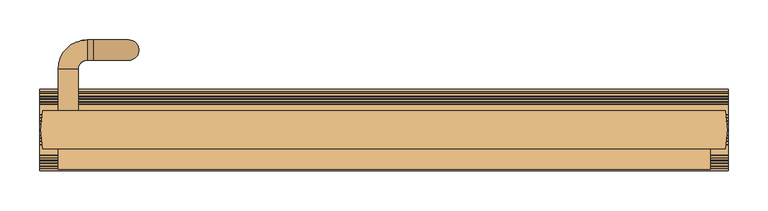
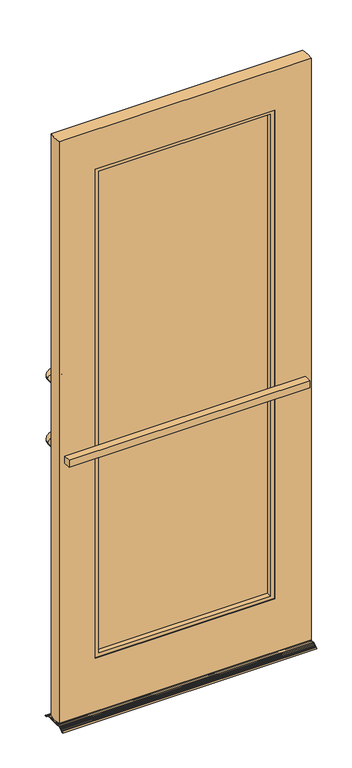
"""IFC4 building model written with IfcOpenShell, lengths in millimetres: door geometry."""

from ifc_helpers import new_model, si_unit, point, frame, frame_2d, origin, place, context, project, spatial, polyline, circle_curve, ellipse_curve, trimmed, segment, composite_curve, outline, extrude, faceted_brep, source, transform, mapped, element, save
from ifc_brep_helpers import plane_surface, cylinder_surface, revolved_surface, advanced_brep


def door_4c58a953(model_context):
    return source(origin(), model_context, "Body", "SolidModel", [
        advanced_brep(
        [(-409.0221661, 23.8125, 1187.45), (-383.6224068, 23.8125, 1187.45), (-409.0221661, 23.8125, 958.85), (-383.6224068, 23.8125, 958.85), (-409.0221661, 76.0772494, 1187.45), (-383.6224068, 76.0772494, 1187.45), (-372.3869155, 87.3127407, 1187.45), (-372.3869155, 112.7125, 1187.45), (-364.5721661, 112.7125, 1187.45), (-364.5721661, 87.3127407, 1187.45), (-320.1221661, 87.3127407, 1143.0), (-320.1221661, 112.7125, 1143.0), (-320.1221661, 112.7125, 1003.3), (-320.1221661, 87.3127407, 1003.3), (-364.5721661, 87.3127407, 958.85), (-364.5721661, 112.7125, 958.85), (-372.3869155, 112.7125, 958.85), (-372.3869155, 87.3127407, 958.85), (-383.6224068, 76.0772494, 958.85), (-409.0221661, 76.0772494, 958.85)],
        [
            (0, 1, circle_curve(frame((-396.3222864, 23.8125, 1187.45), z_axis=(0.0, -1.0, 0.0), x_axis=(-1.0, 0.0, 0.0)), 12.6998797)),
            (1, 0, circle_curve(frame((-396.3222864, 23.8125, 1187.45), z_axis=(0.0, -1.0, 0.0), x_axis=(-1.0, 0.0, 0.0)), 12.6998797)),
            (2, 3, circle_curve(frame((-396.3222864, 23.8125, 958.85), z_axis=(0.0, -1.0, 0.0), x_axis=(-1.0, 0.0, 0.0)), 12.6998797)),
            (3, 2, circle_curve(frame((-396.3222864, 23.8125, 958.85), z_axis=(0.0, -1.0, 0.0), x_axis=(-1.0, 0.0, 0.0)), 12.6998797)),
            (0, 4),
            (4, 5, circle_curve(frame((-396.3222864, 76.0772494, 1187.45), z_axis=(0.0, -1.0, 0.0), x_axis=(-1.0, 0.0, 0.0)), 12.6998797)),
            (5, 1),
            (5, 4, circle_curve(frame((-396.3222864, 76.0772494, 1187.45), z_axis=(0.0, -1.0, 0.0), x_axis=(-1.0, 0.0, 0.0)), 12.6998797)),
            (6, 5, circle_curve(frame((-372.3869155, 76.0772494, 1187.45), z_axis=(0.0, 0.0, 1.0), x_axis=(-1.0, 0.0, 0.0)), 11.2354913)),
            (4, 7, circle_curve(frame((-372.3869155, 76.0772494, 1187.45), z_axis=(0.0, 0.0, -1.0), x_axis=(-1.0, 0.0, 0.0)), 36.6352506)),
            (7, 6, circle_curve(frame((-372.3869155, 100.0126203, 1187.45), z_axis=(-1.0, 0.0, 0.0), x_axis=(0.0, 1.0, 0.0)), 12.6998797)),
            (6, 7, circle_curve(frame((-372.3869155, 100.0126203, 1187.45), z_axis=(-1.0, 0.0, 0.0), x_axis=(0.0, 1.0, 0.0)), 12.6998797)),
            (7, 8),
            (8, 9, circle_curve(frame((-364.5721661, 100.0126203, 1187.45), z_axis=(-1.0, 0.0, 0.0), x_axis=(0.0, 1.0, 0.0)), 12.6998797)),
            (9, 6),
            (9, 8, circle_curve(frame((-364.5721661, 100.0126203, 1187.45), z_axis=(-1.0, 0.0, 0.0), x_axis=(0.0, 1.0, 0.0)), 12.6998797)),
            (10, 9, circle_curve(frame((-364.5721661, 87.3127407, 1143.0), z_axis=(0.0, -1.0, 0.0), x_axis=(0.0, 0.0, 1.0)), 44.45)),
            (8, 11, circle_curve(frame((-364.5721661, 112.7125, 1143.0), z_axis=(0.0, 1.0, 0.0), x_axis=(0.0, 0.0, 1.0)), 44.45)),
            (11, 10, circle_curve(frame((-320.1221661, 100.0126203, 1143.0), z_axis=(0.0, 0.0, 1.0), x_axis=(0.0, 1.0, 0.0)), 12.6998797)),
            (10, 11, circle_curve(frame((-320.1221661, 100.0126203, 1143.0), z_axis=(0.0, 0.0, 1.0), x_axis=(0.0, 1.0, 0.0)), 12.6998797)),
            (11, 12),
            (12, 13, circle_curve(frame((-320.1221661, 100.0126203, 1003.3), z_axis=(0.0, 0.0, 1.0), x_axis=(0.0, 1.0, 0.0)), 12.6998797)),
            (13, 10),
            (13, 12, circle_curve(frame((-320.1221661, 100.0126203, 1003.3), z_axis=(0.0, 0.0, 1.0), x_axis=(0.0, 1.0, 0.0)), 12.6998797)),
            (14, 13, circle_curve(frame((-364.5721661, 87.3127407, 1003.3), z_axis=(0.0, -1.0, 0.0), x_axis=(1.0, 0.0, 0.0)), 44.45)),
            (12, 15, circle_curve(frame((-364.5721661, 112.7125, 1003.3), z_axis=(0.0, 1.0, 0.0), x_axis=(1.0, 0.0, 0.0)), 44.45)),
            (15, 14, circle_curve(frame((-364.5721661, 100.0126203, 958.85), z_axis=(1.0, 0.0, 0.0), x_axis=(0.0, 1.0, 0.0)), 12.6998797)),
            (14, 15, circle_curve(frame((-364.5721661, 100.0126203, 958.85), z_axis=(1.0, 0.0, 0.0), x_axis=(0.0, 1.0, 0.0)), 12.6998797)),
            (15, 16),
            (16, 17, circle_curve(frame((-372.3869155, 100.0126203, 958.85), z_axis=(1.0, 0.0, 0.0), x_axis=(0.0, 1.0, 0.0)), 12.6998797)),
            (17, 14),
            (17, 16, circle_curve(frame((-372.3869155, 100.0126203, 958.85), z_axis=(1.0, 0.0, 0.0), x_axis=(0.0, 1.0, 0.0)), 12.6998797)),
            (18, 17, circle_curve(frame((-372.3869155, 76.0772494, 958.85), z_axis=(0.0, 0.0, -1.0), x_axis=(0.0, 1.0, 0.0)), 11.2354913)),
            (16, 19, circle_curve(frame((-372.3869155, 76.0772494, 958.85), z_axis=(0.0, 0.0, 1.0), x_axis=(0.0, 1.0, 0.0)), 36.6352506)),
            (19, 18, circle_curve(frame((-396.3222864, 76.0772494, 958.85), z_axis=(0.0, 1.0, 0.0), x_axis=(-1.0, 0.0, 0.0)), 12.6998797)),
            (18, 19, circle_curve(frame((-396.3222864, 76.0772494, 958.85), z_axis=(0.0, 1.0, 0.0), x_axis=(-1.0, 0.0, 0.0)), 12.6998797)),
            (19, 2),
            (3, 18),
        ],
        [
            plane_surface(frame((-409.0221661, 23.8125, 1187.45), z_axis=(0.0, -1.0, 0.0), x_axis=(0.0, 0.0, 1.0))),
            plane_surface(frame((-409.0221661, 23.8125, 958.85), z_axis=(0.0, -1.0, 0.0), x_axis=(0.0, 0.0, -1.0))),
            cylinder_surface(frame((-396.3222864, 23.8125, 1187.45), z_axis=(0.0, -1.0, 0.0), x_axis=(-1.0, 0.0, 0.0)), 12.6998797),
            revolved_surface(trimmed(ellipse_curve(frame((-396.3222864, 76.0772494, 1187.45), z_axis=(0.0, -1.0, 0.0), x_axis=(-1.0, 0.0, 0.0)), 12.6998797, 12.6998797), [point((-409.0221661, 76.0772494, 1187.45))], [point((-383.6224068, 76.0772494, 1187.45))], True, "CARTESIAN"), (-372.3869155, 76.0772494, 1187.45), (0.0, 0.0, -1.0)),
            revolved_surface(trimmed(ellipse_curve(frame((-396.3222864, 76.0772494, 1187.45), z_axis=(0.0, -1.0, 0.0), x_axis=(-1.0, 0.0, 0.0)), 12.6998797, 12.6998797), [point((-383.6224068, 76.0772494, 1187.45))], [point((-409.0221661, 76.0772494, 1187.45))], True, "CARTESIAN"), (-372.3869155, 76.0772494, 1187.45), (0.0, 0.0, -1.0)),
            cylinder_surface(frame((-372.3869155, 100.0126203, 1187.45), z_axis=(-1.0, 0.0, 0.0), x_axis=(0.0, 1.0, 0.0)), 12.6998797),
            revolved_surface(trimmed(ellipse_curve(frame((-364.5721661, 100.0126203, 1187.45), z_axis=(-1.0, 0.0, 0.0), x_axis=(0.0, 1.0, 0.0)), 12.6998797, 12.6998797), [point((-364.5721661, 112.7125, 1187.45))], [point((-364.5721661, 87.3127407, 1187.45))], True, "CARTESIAN"), (-364.5721661, 100.0125, 1143.0), (0.0, 1.0, 0.0)),
            revolved_surface(trimmed(ellipse_curve(frame((-364.5721661, 100.0126203, 1187.45), z_axis=(-1.0, 0.0, 0.0), x_axis=(0.0, 1.0, 0.0)), 12.6998797, 12.6998797), [point((-364.5721661, 87.3127407, 1187.45))], [point((-364.5721661, 112.7125, 1187.45))], True, "CARTESIAN"), (-364.5721661, 100.0125, 1143.0), (0.0, 1.0, 0.0)),
            cylinder_surface(frame((-320.1221661, 100.0126203, 1143.0), z_axis=(0.0, 0.0, 1.0), x_axis=(0.0, 1.0, 0.0)), 12.6998797),
            revolved_surface(trimmed(ellipse_curve(frame((-320.1221661, 100.0126203, 1003.3), z_axis=(0.0, 0.0, 1.0), x_axis=(0.0, 1.0, 0.0)), 12.6998797, 12.6998797), [point((-320.1221661, 112.7125, 1003.3))], [point((-320.1221661, 87.3127407, 1003.3))], True, "CARTESIAN"), (-364.5721661, 100.0125, 1003.3), (0.0, 1.0, 0.0)),
            revolved_surface(trimmed(ellipse_curve(frame((-320.1221661, 100.0126203, 1003.3), z_axis=(0.0, 0.0, 1.0), x_axis=(0.0, 1.0, 0.0)), 12.6998797, 12.6998797), [point((-320.1221661, 87.3127407, 1003.3))], [point((-320.1221661, 112.7125, 1003.3))], True, "CARTESIAN"), (-364.5721661, 100.0125, 1003.3), (0.0, 1.0, 0.0)),
            cylinder_surface(frame((-364.5721661, 100.0126203, 958.85), z_axis=(1.0, 0.0, 0.0), x_axis=(0.0, 1.0, 0.0)), 12.6998797),
            revolved_surface(trimmed(ellipse_curve(frame((-372.3869155, 100.0126203, 958.85), z_axis=(1.0, 0.0, 0.0), x_axis=(0.0, 1.0, 0.0)), 12.6998797, 12.6998797), [point((-372.3869155, 112.7125, 958.85))], [point((-372.3869155, 87.3127407, 958.85))], True, "CARTESIAN"), (-372.3869155, 76.0772494, 958.85), (0.0, 0.0, 1.0)),
            revolved_surface(trimmed(ellipse_curve(frame((-372.3869155, 100.0126203, 958.85), z_axis=(1.0, 0.0, 0.0), x_axis=(0.0, 1.0, 0.0)), 12.6998797, 12.6998797), [point((-372.3869155, 87.3127407, 958.85))], [point((-372.3869155, 112.7125, 958.85))], True, "CARTESIAN"), (-372.3869155, 76.0772494, 958.85), (0.0, 0.0, 1.0)),
            cylinder_surface(frame((-396.3222864, 76.0772494, 958.85), z_axis=(0.0, 1.0, 0.0), x_axis=(-1.0, 0.0, 0.0)), 12.6998797),
        ],
        [
            (0, [[1, 2]]),
            (1, [[3, 4]]),
            (2, [[-1, 5, 6, 7]]),
            (2, [[-2, -7, 8, -5]]),
            (3, [[9, -6, 10, 11]]),
            (4, [[-10, -8, -9, 12]]),
            (5, [[-11, 13, 14, 15]]),
            (5, [[-12, -15, 16, -13]]),
            (6, [[17, -14, 18, 19]]),
            (7, [[-18, -16, -17, 20]]),
            (8, [[-19, 21, 22, 23]]),
            (8, [[-20, -23, 24, -21]]),
            (9, [[25, -22, 26, 27]]),
            (10, [[-26, -24, -25, 28]]),
            (11, [[-27, 29, 30, 31]]),
            (11, [[-28, -31, 32, -29]]),
            (12, [[33, -30, 34, 35]]),
            (13, [[-34, -32, -33, 36]]),
            (14, [[-35, 37, -4, 38]]),
            (14, [[-36, -38, -3, -37]]),
        ],
    ),
        extrude(outline(composite_curve([segment(polyline([(-47.9184846, 4.9831108), (-46.266325, 5.7836002)]), True, "CONTINUOUS"), segment(trimmed(circle_curve(frame_2d((-45.6375674, 6.257586)), 0.7874), [point((-46.266325, 5.7836002))], [point((-45.2942393, 5.5489785))], True, "CARTESIAN"), True, "CONTINUOUS"), segment(polyline([(-45.2942393, 5.5489785), (-42.4101525, 6.9463502)]), True, "CONTINUOUS"), segment(trimmed(circle_curve(frame_2d((-42.7534806, 7.6549576)), 0.7874), [point((-42.4101525, 6.9463502))], [point((-41.9918218, 7.8546438))], True, "CARTESIAN"), True, "CONTINUOUS"), segment(polyline([(-41.9918218, 7.8546438), (-39.1345335, 9.2390313)]), True, "CONTINUOUS"), segment(trimmed(circle_curve(frame_2d((-38.5057758, 9.7130171)), 0.7874), [point((-39.1345335, 9.2390313))], [point((-38.1624477, 9.0044097))], True, "CARTESIAN"), True, "CONTINUOUS"), segment(polyline([(-38.1624477, 9.0044097), (-35.278361, 10.4017813)]), True, "CONTINUOUS"), segment(trimmed(circle_curve(frame_2d((-35.6216891, 11.1103888)), 0.7874), [point((-35.278361, 10.4017813))], [point((-34.8600302, 11.310075))], True, "CARTESIAN"), True, "CONTINUOUS"), segment(polyline([(-34.8600302, 11.310075), (-32.484427, 12.4610808)]), True, "CONTINUOUS"), segment(trimmed(circle_curve(frame_2d((-31.4433676, 10.3124)), 2.3876), [point((-32.484427, 12.4610808))], [point((-31.4433676, 12.7))], False, "CARTESIAN"), True, "CONTINUOUS"), segment(polyline([(-31.4433676, 12.7), (-19.05, 12.7)]), True, "CONTINUOUS"), segment(trimmed(circle_curve(frame_2d((-18.2774892, 12.8524)), 0.7874), [point((-19.05, 12.7))], [point((-18.2774892, 12.065))], True, "CARTESIAN"), True, "CONTINUOUS"), segment(polyline([(-18.2774892, 12.065), (-15.0727108, 12.065)]), True, "CONTINUOUS"), segment(trimmed(circle_curve(frame_2d((-15.0727108, 12.8524)), 0.7874), [point((-15.0727108, 12.065))], [point((-14.3002, 12.7))], True, "CARTESIAN"), True, "CONTINUOUS"), segment(polyline([(-14.3002, 12.7), (-11.1252, 12.7)]), True, "CONTINUOUS"), segment(trimmed(circle_curve(frame_2d((-10.3526892, 12.8524)), 0.7874), [point((-11.1252, 12.7))], [point((-10.3526892, 12.065))], True, "CARTESIAN"), True, "CONTINUOUS"), segment(polyline([(-10.3526892, 12.065), (-7.1479108, 12.065)]), True, "CONTINUOUS"), segment(trimmed(circle_curve(frame_2d((-7.1479108, 12.8524)), 0.7874), [point((-7.1479108, 12.065))], [point((-6.3754, 12.7))], True, "CARTESIAN"), True, "CONTINUOUS"), segment(polyline([(-6.3754, 12.7), (6.6167128, 12.7)]), True, "CONTINUOUS"), segment(trimmed(circle_curve(frame_2d((7.3892236, 12.8524)), 0.7874), [point((6.6167128, 12.7))], [point((7.3892236, 12.065))], True, "CARTESIAN"), True, "CONTINUOUS"), segment(polyline([(7.3892236, 12.065), (10.5940019, 12.065)]), True, "CONTINUOUS"), segment(trimmed(circle_curve(frame_2d((10.5940019, 12.8524)), 0.7874), [point((10.5940019, 12.065))], [point((11.3665128, 12.7))], True, "CARTESIAN"), True, "CONTINUOUS"), segment(polyline([(11.3665128, 12.7), (14.5415128, 12.7)]), True, "CONTINUOUS"), segment(trimmed(circle_curve(frame_2d((15.3140236, 12.8524)), 0.7874), [point((14.5415128, 12.7))], [point((15.3140236, 12.065))], True, "CARTESIAN"), True, "CONTINUOUS"), segment(polyline([(15.3140236, 12.065), (18.5188019, 12.065)]), True, "CONTINUOUS"), segment(trimmed(circle_curve(frame_2d((18.5188019, 12.8524)), 0.7874), [point((18.5188019, 12.065))], [point((19.2913128, 12.7))], True, "CARTESIAN"), True, "CONTINUOUS"), segment(polyline([(19.2913128, 12.7), (31.4433676, 12.7)]), True, "CONTINUOUS"), segment(trimmed(circle_curve(frame_2d((31.4433676, 10.3124)), 2.3876), [point((31.4433676, 12.7))], [point((32.484427, 12.4610808))], False, "CARTESIAN"), True, "CONTINUOUS"), segment(polyline([(32.484427, 12.4610808), (34.8600302, 11.310075)]), True, "CONTINUOUS"), segment(trimmed(circle_curve(frame_2d((35.6216891, 11.1103888)), 0.7874), [point((34.8600302, 11.310075))], [point((35.278361, 10.4017813))], True, "CARTESIAN"), True, "CONTINUOUS"), segment(polyline([(35.278361, 10.4017813), (38.1624477, 9.0044097)]), True, "CONTINUOUS"), segment(trimmed(circle_curve(frame_2d((38.5057758, 9.7130171)), 0.7874), [point((38.1624477, 9.0044097))], [point((39.1345335, 9.2390313))], True, "CARTESIAN"), True, "CONTINUOUS"), segment(polyline([(39.1345335, 9.2390313), (41.9918218, 7.8546438)]), True, "CONTINUOUS"), segment(trimmed(circle_curve(frame_2d((42.7534806, 7.6549576)), 0.7874), [point((41.9918218, 7.8546438))], [point((42.4101525, 6.9463502))], True, "CARTESIAN"), True, "CONTINUOUS"), segment(polyline([(42.4101525, 6.9463502), (45.2942393, 5.5489785)]), True, "CONTINUOUS"), segment(trimmed(circle_curve(frame_2d((45.6375674, 6.257586)), 0.7874), [point((45.2942393, 5.5489785))], [point((46.266325, 5.7836002))], True, "CARTESIAN"), True, "CONTINUOUS"), segment(polyline([(46.266325, 5.7836002), (47.9184846, 4.9831108)]), True, "CONTINUOUS"), segment(trimmed(circle_curve(frame_2d((45.5041128, 0.0)), 5.5372), [point((47.9184846, 4.9831108))], [point((51.0413128, 0.0))], False, "CARTESIAN"), True, "CONTINUOUS"), segment(polyline([(51.0413128, 0.0), (45.3263128, 0.0), (45.3263128, 1.6530711)]), True, "CONTINUOUS"), segment(trimmed(circle_curve(frame_2d((44.5389128, 1.6530711)), 0.7874), [point((45.3263128, 1.6530711))], [point((44.8822409, 2.3616786))], True, "CARTESIAN"), True, "CONTINUOUS"), segment(polyline([(44.8822409, 2.3616786), (29.8354783, 9.652), (20.8639236, 9.652)]), True, "CONTINUOUS"), segment(trimmed(circle_curve(frame_2d((20.0914128, 9.8044)), 0.7874), [point((20.8639236, 9.652))], [point((20.0914128, 9.017))], False, "CARTESIAN"), True, "CONTINUOUS"), segment(polyline([(20.0914128, 9.017), (-19.8501, 9.017)]), True, "CONTINUOUS"), segment(trimmed(circle_curve(frame_2d((-19.8501, 9.8044)), 0.7874), [point((-19.8501, 9.017))], [point((-20.6226108, 9.652))], False, "CARTESIAN"), True, "CONTINUOUS"), segment(polyline([(-20.6226108, 9.652), (-29.8354783, 9.652), (-44.8822409, 2.3616786)]), True, "CONTINUOUS"), segment(trimmed(circle_curve(frame_2d((-44.5389128, 1.6530711)), 0.7874), [point((-44.8822409, 2.3616786))], [point((-45.3263128, 1.6530711))], True, "CARTESIAN"), True, "CONTINUOUS"), segment(polyline([(-45.3263128, 1.6530711), (-45.3263128, 0.0), (-51.0413128, 0.0)]), True, "CONTINUOUS"), segment(trimmed(circle_curve(frame_2d((-45.5041128, 0.0)), 5.5372), [point((-51.0413128, 0.0))], [point((-47.9184846, 4.9831108))], False, "CARTESIAN"), True, "CONTINUOUS")], self_intersect=False)), frame((-431.8, 0.0, 0.0), z_axis=(1.0, 0.0, 0.0), x_axis=(0.0, 1.0, 0.0)), (0.0, 0.0, 1.0), 863.6),
        extrude(outline(polyline([(-409.0221661, -49.2125), (-409.0221661, -23.8125), (409.22575, -23.8125), (409.22575, -49.2125), (-409.0221661, -49.2125)])), frame((0.0, 0.0, 946.15), z_axis=(0.0, 0.0, 1.0), x_axis=(1.0, 0.0, 0.0)), (0.0, 0.0, 1.0), 25.4),
        faceted_brep([(304.8, -19.3769229, 1965.325), (304.8, -20.7739246, 1965.325), (304.8, -20.7739246, 207.9625), (304.8, -19.3769229, 207.9625), (299.4421875, -3.175, 1959.9671875), (299.4421875, -19.3769229, 1959.9671875), (299.4421875, -19.3769229, 213.3203125), (299.4421875, -3.175, 213.3203125), (292.1, -20.7739246, 1952.625), (292.1, -3.175, 1952.625), (292.1, -3.175, 220.6625), (292.1, -20.7739246, 220.6625), (-304.8, -20.7739246, 207.9625), (-304.8, -19.3769229, 207.9625), (-299.4421875, -19.3769229, 213.3203125), (-299.4421875, -3.175, 213.3203125), (-292.1, -3.175, 220.6625), (-292.1, -20.7739246, 220.6625), (-304.8, -20.7739246, 1965.325), (-304.8, -19.3769229, 1965.325), (-299.4421875, -19.3769229, 1959.9671875), (-299.4421875, -3.175, 1959.9671875), (-292.1, -3.175, 1952.625), (-292.1, -20.7739246, 1952.625)], [[[0, 1, 2, 3]], [[4, 5, 6, 7]], [[8, 9, 10, 11]], [[3, 2, 12, 13]], [[7, 6, 14, 15]], [[11, 10, 16, 17]], [[13, 12, 18, 19]], [[15, 14, 20, 21]], [[17, 16, 22, 23]], [[19, 18, 1, 0]], [[3, 13, 19, 0], [5, 20, 14, 6]], [[21, 20, 5, 4]], [[7, 15, 21, 4], [9, 22, 16, 10]], [[23, 22, 9, 8]], [[1, 18, 12, 2], [11, 17, 23, 8]]]),
        faceted_brep([(292.1, 3.175, 1952.625), (292.1, 20.7739246, 1952.625), (292.1, 20.7739246, 220.6625), (292.1, 3.175, 220.6625), (299.4421875, 19.3769229, 1959.9671875), (299.4421875, 3.175, 1959.9671875), (299.4421875, 3.175, 213.3203125), (299.4421875, 19.3769229, 213.3203125), (304.8, 20.7739246, 1965.325), (304.8, 19.3769229, 1965.325), (304.8, 19.3769229, 207.9625), (304.8, 20.7739246, 207.9625), (-292.1, 20.7739246, 220.6625), (-292.1, 3.175, 220.6625), (-299.4421875, 3.175, 213.3203125), (-299.4421875, 19.3769229, 213.3203125), (-304.8, 19.3769229, 207.9625), (-304.8, 20.7739246, 207.9625), (-292.1, 20.7739246, 1952.625), (-292.1, 3.175, 1952.625), (-299.4421875, 3.175, 1959.9671875), (-299.4421875, 19.3769229, 1959.9671875), (-304.8, 19.3769229, 1965.325), (-304.8, 20.7739246, 1965.325)], [[[0, 1, 2, 3]], [[4, 5, 6, 7]], [[8, 9, 10, 11]], [[3, 2, 12, 13]], [[7, 6, 14, 15]], [[11, 10, 16, 17]], [[13, 12, 18, 19]], [[15, 14, 20, 21]], [[17, 16, 22, 23]], [[11, 17, 23, 8], [1, 18, 12, 2]], [[19, 18, 1, 0]], [[5, 20, 14, 6], [3, 13, 19, 0]], [[21, 20, 5, 4]], [[9, 22, 16, 10], [7, 15, 21, 4]], [[23, 22, 9, 8]]]),
        advanced_brep(
        [(428.1718946, -23.8125, 17.4625), (428.1718946, -23.8125, 2108.2), (-428.1718946, -23.8125, 2108.2), (-428.1718946, -23.8125, 17.4625), (-304.8, -23.8125, 207.9625008), (-304.8, -23.8125, 1965.325), (304.8, -23.8125, 1965.325), (304.8, -23.8125, 207.9625008), (428.1718946, 23.8125, 2108.2), (428.1718946, 23.8125, 17.4625), (-428.1718946, 23.8125, 17.4625), (-428.1718946, 23.8125, 2108.2), (-304.8, 23.8125, 207.9625008), (304.8, 23.8125, 207.9625008), (304.8, 23.8125, 1965.325), (-304.8, 23.8125, 1965.325)],
        [
            (0, 1),
            (1, 2),
            (2, 3),
            (3, 0),
            (4, 5),
            (5, 6),
            (6, 7),
            (7, 4),
            (8, 9),
            (9, 10),
            (10, 11),
            (11, 8),
            (12, 13),
            (13, 14),
            (14, 15),
            (15, 12),
            (3, 10, circle_curve(frame((-313.7431514, 0.0, 17.4625), z_axis=(0.0, 0.0, -1.0), x_axis=(1.0, 0.0, 0.0)), 116.8801627)),
            (9, 0, circle_curve(frame((313.7431514, 0.0, 17.4625), z_axis=(0.0, 0.0, -1.0), x_axis=(1.0, 0.0, 0.0)), 116.8801627)),
            (7, 13),
            (12, 4),
            (1, 8, circle_curve(frame((313.7431514, 0.0, 2108.2), z_axis=(0.0, 0.0, 1.0), x_axis=(1.0, 0.0, 0.0)), 116.8801627)),
            (11, 2, circle_curve(frame((-313.7431514, 0.0, 2108.2), z_axis=(0.0, 0.0, 1.0), x_axis=(1.0, 0.0, 0.0)), 116.8801627)),
            (14, 6),
            (5, 15),
        ],
        [
            plane_surface(frame((-304.8, -23.8125, 17.4625), z_axis=(0.0, -1.0, 0.0), x_axis=(1.0, 0.0, 0.0))),
            plane_surface(frame((-304.8, 23.8125, 207.9625008), z_axis=(0.0, 1.0, 0.0), x_axis=(1.0, 0.0, 0.0))),
            plane_surface(frame((-304.8, 23.8125, 17.4625), z_axis=(0.0, 0.0, -1.0), x_axis=(1.0, 0.0, 0.0))),
            plane_surface(frame((-304.8, -23.8125, 207.9625008), z_axis=(0.0, 0.0, 1.0), x_axis=(1.0, 0.0, 0.0))),
            plane_surface(frame((-304.8, -23.8125, 2108.2), z_axis=(0.0, 0.0, 1.0), x_axis=(1.0, 0.0, 0.0))),
            plane_surface(frame((-304.8, 23.8125, 1965.325), z_axis=(0.0, 0.0, -1.0), x_axis=(1.0, 0.0, 0.0))),
            plane_surface(frame((304.8, 23.8125, 2108.2), z_axis=(-1.0, 0.0, 0.0), x_axis=(0.0, 0.0, -1.0))),
            cylinder_surface(frame((313.7431514, 0.0, 17.4625), z_axis=(0.0, 0.0, 1.0), x_axis=(1.0, 0.0, 0.0)), 116.8801627),
            cylinder_surface(frame((-313.7431514, 0.0, 0.0), z_axis=(0.0, 0.0, 1.0), x_axis=(1.0, 0.0, 0.0)), 116.8801627),
            plane_surface(frame((-304.8, -23.8125, 2108.2), z_axis=(1.0, 0.0, 0.0), x_axis=(0.0, 0.0, -1.0))),
        ],
        [
            (0, [[1, 2, 3, 4], [5, 6, 7, 8]]),
            (1, [[9, 10, 11, 12], [13, 14, 15, 16]]),
            (2, [[-4, 17, -10, 18]]),
            (3, [[-8, 19, -13, 20]]),
            (4, [[-2, 21, -12, 22]]),
            (5, [[-15, 23, -6, 24]]),
            (6, [[-7, -23, -14, -19]]),
            (7, [[-21, -1, -18, -9]]),
            (8, [[-22, -11, -17, -3]]),
            (9, [[-16, -24, -5, -20]]),
        ],
    ),
        extrude(outline(polyline([(304.00625, 3.175), (304.8, 2.38125), (304.8, -2.38125), (304.00625, -3.175), (-304.00625, -3.175), (-304.8, -2.38125), (-304.8, 2.38125), (-304.00625, 3.175), (304.00625, 3.175)])), frame((0.0, 0.0, 207.9625008), z_axis=(0.0, 0.0, 1.0), x_axis=(1.0, 0.0, 0.0)), (0.0, 0.0, 1.0), 1757.3624992),
    ])


if __name__ == "__main__":
    model = new_model("IFC4")
    model_context = context("Model", 3, world=origin())
    ifc_project = project(units=[si_unit("LENGTHUNIT", "METRE", prefix="MILLI")], contexts=[model_context])
    site = spatial("IfcSite", under=ifc_project)
    building = spatial("IfcBuilding", under=site)
    placement = place(None, origin())
    door_shape = door_4c58a953(model_context)
    element("IfcDoor", 1, at=placement, inside=building, context=model_context, shape_type="MappedRepresentation", body=[
        mapped(door_shape, transform((0.0, 0.0, 0.0), x_axis=(1.0, 0.0, 0.0), y_axis=(0.0, 1.0, 0.0), z_axis=(0.0, 0.0, 1.0))),
    ])
    save(model, "model.ifc")
